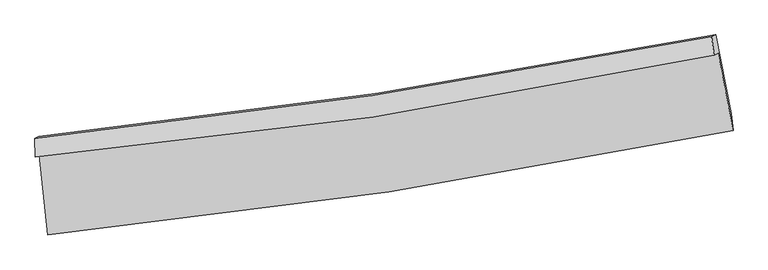
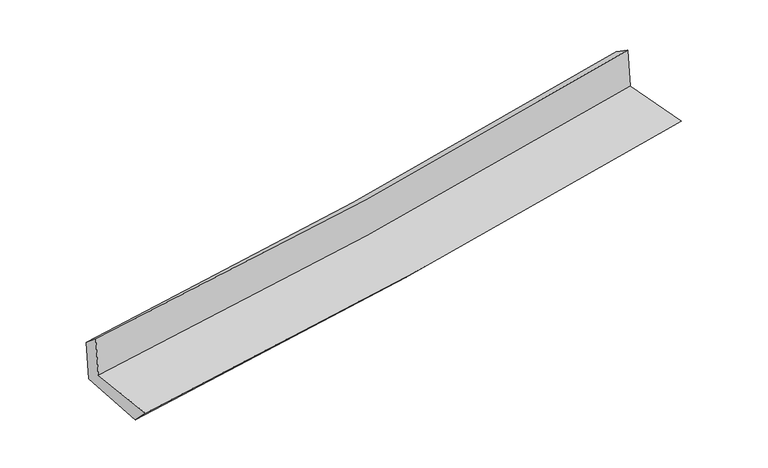
"""IFC4 building model written with IfcOpenShell, lengths in millimetres: proxy geometry."""

from ifc_helpers import new_model, si_unit, frame, origin, place, context, project, spatial, source, transform, mapped, element, save
from ifc_brep_helpers import plane_surface, spline_curve, spline_surface, advanced_brep


def generic_models_334b8202(model_context):
    return source(origin(), model_context, "Body", "AdvancedBrep", [
        advanced_brep(
        [(-2853.201971, -1902.6971587, 1659.7387024), (-2783.2501304, -2573.8097199, 1650.4488533), (2941.3796722, -1699.2551531, 2124.710826), (2815.7722169, -1053.1873427, 2141.0943576), (-2886.7704426, -1919.2284208, 2054.2730513), (2782.6661724, -1069.490876, 2530.1937441), (-2891.0380887, -1766.6179402, 1926.1905409), (2762.7018872, -915.3724151, 2426.7353225), (-2857.3897494, -1750.0473462, 1530.7174979), (2795.4550046, -899.2426856, 2041.7839315), (-2785.0886947, -2410.9434049, 1483.3796707), (2925.6692592, -1556.6532833, 1999.3259544)],
        [
            (0, 1),
            (1, 2, spline_curve(3, [(-2783.2501304, -2573.8097199, 1650.4488533), (-1830.74666373, -2478.591523108, 1737.621645923), (-881.456396614, -2358.929135813, 1820.432329647), (1026.864289763, -2068.253488388, 1978.670007104), (1985.783957088, -1896.397686834, 2053.946647452), (2941.3796722, -1699.2551531, 2124.710826)], [4, 2, 4], [0.0, 9.407269119126507, 18.975289521934393])),
            (2, 3),
            (3, 0, spline_curve(3, [(2815.7722169, -1053.1873427, 2141.0943576), (1869.969049185, -1243.64557382, 2062.304385439), (920.621059378, -1410.064963657, 1982.447645553), (-969.155115132, -1692.433939638, 1821.960216024), (-1909.465187967, -1809.184488511, 1741.365071063), (-2853.201971, -1902.6971587, 1659.7387024)], [4, 2, 4], [0.0, 9.568020402807885, 18.975289521934393])),
            (4, 0),
            (3, 5),
            (5, 4, spline_curve(3, [(2782.6661724, -1069.490876, 2530.1937441), (1837.970527482, -1273.002100423, 2460.14430397), (889.132416532, -1445.911997072, 2385.081426368), (-1000.817813555, -1728.138223739, 2226.274150202), (-1941.791907413, -1838.474175581, 2142.696796814), (-2886.7704426, -1919.2284208, 2054.2730513)], [4, 2, 4], [0.0, 9.520923350656258, 18.88188669014857])),
            (6, 4),
            (5, 7),
            (7, 6, spline_curve(3, [(2762.7018872, -915.3724151, 2426.7353225), (1819.060149223, -1100.405153749, 2341.715433771), (872.074837633, -1264.281882053, 2257.143821457), (-1012.616560834, -1547.325482485, 2090.310497077), (-1950.211240969, -1667.197262405, 2008.033848916), (-2891.0380887, -1766.6179402, 1926.1905409)], [4, 2, 4], [0.0, 9.509579082358401, 18.859388747386745])),
            (8, 6),
            (7, 9),
            (9, 8, spline_curve(3, [(2795.4550046, -899.2426856, 2041.7839315), (1851.944985759, -1084.210557356, 1955.215931718), (905.100846728, -1248.017763081, 1868.985098274), (-979.29182919, -1530.914253516, 1698.640854803), (-1916.729274824, -1650.708601245, 1614.516210063), (-2857.3897494, -1750.0473462, 1530.7174979)], [4, 2, 4], [0.0, 9.497379061660515, 18.835193677229075])),
            (10, 8),
            (9, 11),
            (11, 10, spline_curve(3, [(2925.6692592, -1556.6532833, 1999.3259544), (1972.263549573, -1744.368809711, 1911.767755783), (1015.605265224, -1909.83360156, 1824.632443817), (-888.089093923, -2193.85559184, 1652.664439729), (-1835.01679393, -2313.154173735, 1567.817656875), (-2785.0886947, -2410.9434049, 1483.3796707)], [4, 2, 4], [0.0, 9.545459156779865, 18.930546078950965])),
            (1, 10),
            (11, 2),
        ],
        [
            spline_surface(3, 3, [[(-2853.201971, -1902.6971587, 1659.7387024), (-1909.46518784, -1809.184488639, 1741.365071201), (-969.155115077, -1692.433939713, 1821.960216146), (920.621059322, -1410.064963581, 1982.447645428), (1869.969049176, -1243.645573864, 2062.304385509), (2815.7722169, -1053.1873427, 2141.0943576)], [(-2829.884690803, -2126.401345763, 1656.642086047), (-1883.22567983, -2032.32016679, 1740.117262827), (-939.922208964, -1914.599005054, 1821.45092068), (956.03546952, -1629.461138542, 1981.188432629), (1908.574018453, -1461.22961155, 2059.518472849), (2857.641368641, -1268.543279506, 2135.63318039)], [(-2806.567410597, -2350.105532837, 1653.545469653), (-1856.986171811, -2255.455844952, 1738.869454412), (-910.689302865, -2136.764070396, 1820.9416252), (991.449879706, -1848.857313503, 1979.929219815), (1947.178987808, -1678.813649217, 2056.732560218), (2899.510520459, -1483.899216294, 2130.17200321)], [(-2783.2501304, -2573.8097199, 1650.4488533), (-1830.746663801, -2478.591523103, 1737.621646038), (-881.456396752, -2358.929135737, 1820.432329734), (1026.864289904, -2068.253488465, 1978.670007016), (1985.783957085, -1896.397686902, 2053.946647558), (2941.3796722, -1699.2551531, 2124.710826)]], [4, 4], [4, 2, 4], [0.0, 2.1960663770650584], [0.0, 9.407269119126507, 18.975289521934393]),
            spline_surface(3, 3, [[(-2886.7704426, -1919.2284208, 2054.2730513), (-1941.791907433, -1838.474175474, 2142.696796767), (-1000.817813502, -1728.138223822, 2226.274150177), (889.132416479, -1445.911996988, 2385.081426393), (1837.970527514, -1273.002100323, 2460.144303957), (2782.6661724, -1069.490876, 2530.1937441)], [(-2875.580952055, -1913.718000113, 1922.761601649), (-1931.016334224, -1828.710946542, 2008.919554894), (-990.263580715, -1716.23679577, 2091.502838815), (899.628630738, -1433.962985836, 2250.870166053), (1848.636701404, -1263.216591479, 2327.530997832), (2793.701520569, -1064.056364876, 2400.493948624)], [(-2864.391461545, -1908.207579387, 1791.250152051), (-1920.240761049, -1818.94771757, 1875.142313074), (-979.709347864, -1704.335367766, 1956.731527508), (910.124845063, -1422.013974733, 2116.658905768), (1859.302875286, -1253.431082707, 2194.917691635), (2804.736868731, -1058.621853824, 2270.794153076)], [(-2853.201971, -1902.6971587, 1659.7387024), (-1909.46518784, -1809.184488639, 1741.365071201), (-969.155115077, -1692.433939713, 1821.960216146), (920.621059322, -1410.064963581, 1982.447645428), (1869.969049176, -1243.645573864, 2062.304385509), (2815.7722169, -1053.1873427, 2141.0943576)]], [4, 4], [4, 2, 4], [0.0, 1.3329088583321005], [0.0, 9.360963339492312, 18.88188669014857]),
            spline_surface(3, 3, [[(-2891.0380887, -1766.6179402, 1926.1905409), (-1950.211240844, -1667.19726251, 2008.03384892), (-1012.616560711, -1547.325482439, 2090.310497174), (872.074837507, -1264.281882101, 2257.143821358), (1819.06014937, -1100.405153772, 2341.715433616), (2762.7018872, -915.3724151, 2426.7353225)], [(-2889.61554001, -1817.488100405, 1968.884711063), (-1947.404796384, -1724.289566837, 2052.921498232), (-1008.683644951, -1607.596396245, 2135.631714859), (877.760697189, -1324.825253742, 2299.789689721), (1825.363608773, -1157.937469302, 2381.191723727), (2769.356648955, -966.745235414, 2461.221463031)], [(-2888.19299129, -1868.358260595, 2011.578881137), (-1944.598351893, -1781.381871147, 2097.809147455), (-1004.750729263, -1667.867310016, 2180.952932491), (883.446556798, -1385.368625347, 2342.43555803), (1831.667068111, -1215.469784792, 2420.668013846), (2776.011410645, -1018.118055686, 2495.707603569)], [(-2886.7704426, -1919.2284208, 2054.2730513), (-1941.791907433, -1838.474175474, 2142.696796767), (-1000.817813502, -1728.138223822, 2226.274150177), (889.132416479, -1445.911996988, 2385.081426393), (1837.970527514, -1273.002100323, 2460.144303957), (2782.6661724, -1069.490876, 2530.1937441)]], [4, 4], [4, 2, 4], [0.0, 0.7368767146383968], [0.0, 9.349809665028344, 18.859388747386745]),
            spline_surface(3, 3, [[(-2857.3897494, -1750.0473462, 1530.7174979), (-1916.729274722, -1650.708601302, 1614.516210212), (-979.291829201, -1530.914253491, 1698.640854718), (905.100846738, -1248.017763107, 1868.98509836), (1851.944985888, -1084.210557355, 1955.215931728), (2795.4550046, -899.2426856, 2041.7839315)], [(-2868.605862487, -1755.570877529, 1662.541845534), (-1927.889930083, -1656.2048217, 1745.688756416), (-990.400073063, -1536.384663116, 1829.19740218), (894.092176968, -1253.43913608, 1998.371339336), (1840.983373717, -1089.608756158, 2084.049099007), (2784.537298801, -904.619262098, 2170.101061816)], [(-2879.821975613, -1761.094408871, 1794.366193266), (-1939.050585483, -1661.701042112, 1876.861302716), (-1001.508316848, -1541.855072814, 1959.753949711), (883.083507277, -1258.860509127, 2127.757580382), (1830.021761542, -1095.006954969, 2212.882266337), (2773.619592999, -909.995838602, 2298.418192184)], [(-2891.0380887, -1766.6179402, 1926.1905409), (-1950.211240844, -1667.19726251, 2008.03384892), (-1012.616560711, -1547.325482439, 2090.310497174), (872.074837507, -1264.281882101, 2257.143821358), (1819.06014937, -1100.405153772, 2341.715433616), (2762.7018872, -915.3724151, 2426.7353225)]], [4, 4], [4, 2, 4], [0.0, 1.284888538954545], [0.0, 9.33781461556856, 18.835193677229075]),
            spline_surface(3, 3, [[(-2785.0886947, -2410.9434049, 1483.3796707), (-1835.016793978, -2313.15417384, 1567.817657017), (-888.08909378, -2193.855591777, 1652.664439683), (1015.605265079, -1909.833601623, 1824.632443864), (1972.263549488, -1744.368809785, 1911.767755775), (2925.6692592, -1556.6532833, 1999.3259544)], [(-2809.189046261, -2190.644718668, 1499.158946454), (-1862.254287554, -2092.338982995, 1583.383841437), (-918.490005577, -1972.875145707, 1667.989911379), (978.770458975, -1689.228322143, 1839.416662047), (1932.15736161, -1524.316058974, 1926.250481115), (2882.264507656, -1337.516417399, 2013.478613456)], [(-2833.289397839, -1970.346032432, 1514.938222146), (-1889.491781146, -1871.523792147, 1598.950025793), (-948.890917404, -1751.894699561, 1683.315383022), (941.935652842, -1468.623042587, 1854.200880177), (1892.051173765, -1304.263308166, 1940.733206388), (2838.859756144, -1118.379551501, 2027.631272444)], [(-2857.3897494, -1750.0473462, 1530.7174979), (-1916.729274722, -1650.708601302, 1614.516210212), (-979.291829201, -1530.914253491, 1698.640854718), (905.100846738, -1248.017763107, 1868.98509836), (1851.944985888, -1084.210557355, 1955.215931728), (2795.4550046, -899.2426856, 2041.7839315)]], [4, 4], [4, 2, 4], [0.0, 2.203238511328821], [0.0, 9.3850869221711, 18.930546078950965]),
            spline_surface(3, 3, [[(-2783.2501304, -2573.8097199, 1650.4488533), (-1830.746663801, -2478.591523103, 1737.621646038), (-881.456396752, -2358.929135737, 1820.432329734), (1026.864289904, -2068.253488465, 1978.670007016), (1985.783957085, -1896.397686902, 2053.946647558), (2941.3796722, -1699.2551531, 2124.710826)], [(-2783.862985183, -2519.520948221, 1594.759125753), (-1832.170040542, -2423.445740003, 1681.02031635), (-883.667295752, -2303.904621087, 1764.509699718), (1023.111281638, -2015.446859521, 1927.324152633), (1981.277154565, -1845.721394538, 2006.553683614), (2936.142867879, -1651.721196508, 2082.915868783)], [(-2784.475839917, -2465.232176579, 1539.069398247), (-1833.593417236, -2368.299956939, 1624.418986705), (-885.87819478, -2248.880106427, 1708.587069699), (1019.358273345, -1962.640230567, 1875.978298247), (1976.770352008, -1795.04510215, 1959.160719719), (2930.906063521, -1604.187239892, 2041.120911617)], [(-2785.0886947, -2410.9434049, 1483.3796707), (-1835.016793978, -2313.15417384, 1567.817657017), (-888.08909378, -2193.855591777, 1652.664439683), (1015.605265079, -1909.833601623, 1824.632443864), (1972.263549488, -1744.368809785, 1911.767755775), (2925.6692592, -1556.6532833, 1999.3259544)]], [4, 4], [4, 2, 4], [0.0, 0.7486947444800225], [0.0, 9.443400763069953, 19.04817022684974]),
            plane_surface(frame((2837.2740354, -1198.8669593, 2210.6406894), z_axis=(0.9779703609022936, 0.18782574137849625, 0.09107943825175835), x_axis=(-0.08470367621681592, -0.04171350677471933, 0.9955326567159474))),
            plane_surface(frame((-2842.7898461, -2053.8906651, 1717.4580528), z_axis=(-0.9908276386483186, -0.1020504343092606, -0.08857933928342691), x_axis=(-0.10366118295896458, 0.9945173908804901, 0.013766567611818489))),
        ],
        [
            (0, [[1, 2, 3, 4]]),
            (1, [[5, -4, 6, 7]]),
            (2, [[8, -7, 9, 10]]),
            (3, [[11, -10, 12, 13]]),
            (4, [[14, -13, 15, 16]]),
            (5, [[17, -16, 18, -2]]),
            (6, [[-12, -9, -6, -3, -18, -15]]),
            (7, [[-1, -5, -8, -11, -14, -17]]),
        ],
    ),
    ])


if __name__ == "__main__":
    model = new_model("IFC4")
    model_context = context("Model", 3, world=origin())
    ifc_project = project(units=[si_unit("LENGTHUNIT", "METRE", prefix="MILLI")], contexts=[model_context])
    site = spatial("IfcSite", under=ifc_project)
    building = spatial("IfcBuilding", under=site)
    placement = place(None, origin())
    generic_models_shape = generic_models_334b8202(model_context)
    element("IfcBuildingElementProxy", 1, Name="Generic Models", at=placement, inside=building, context=model_context, shape_type="MappedRepresentation", body=[
        mapped(generic_models_shape, transform((0.0, 0.0, 0.0), x_axis=(1.0, 0.0, 0.0), y_axis=(0.0, 1.0, 0.0), z_axis=(0.0, 0.0, 1.0))),
    ])
    save(model, "model.ifc")
